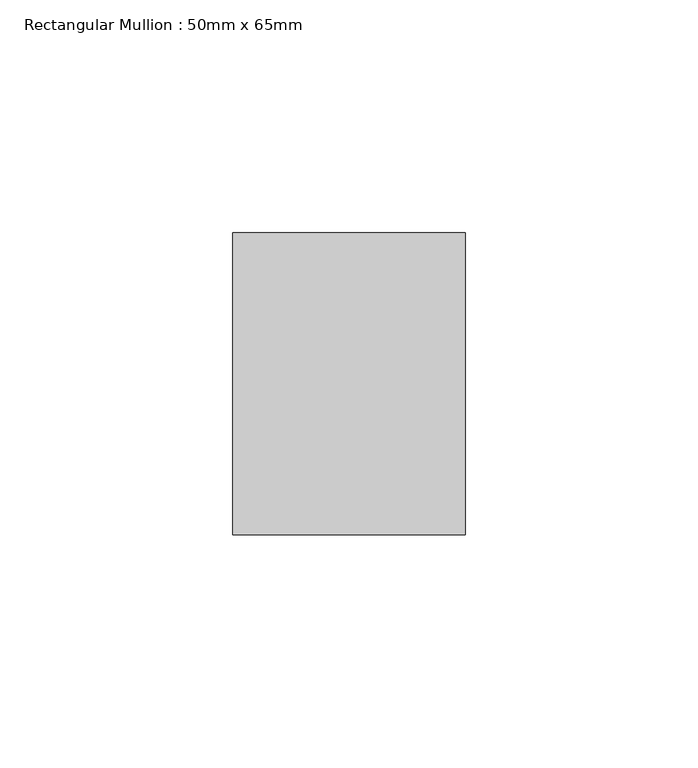
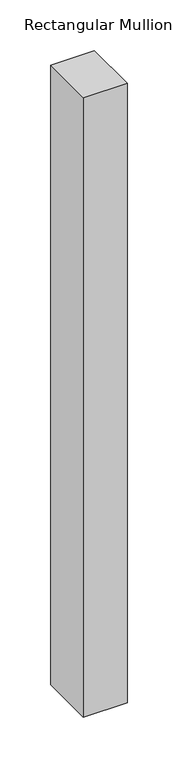
"""IFC4 building model written with IfcOpenShell, lengths in millimetres: member geometry, Rectangular Mullion : 50mm x 65mm."""

from ifc_helpers import new_model, si_unit, frame, origin, place, context, project, spatial, polyline, outline, extrude, source, transform, mapped, element, save


def rectangular_mullion_50mm_x_65mm_619f2048(model_context):
    return source(origin(), model_context, "Body", "SweptSolid", [
        extrude(outline(polyline([(25.0, 32.5), (25.0, -32.5), (-25.0, -32.5), (-25.0, 32.5), (25.0, 32.5)])), frame((0.0, 0.0, -748.358072), z_axis=(0.0, 0.0, 1.0), x_axis=(1.0, 0.0, 0.0)), (0.0, 0.0, 1.0), 748.358072),
    ])


if __name__ == "__main__":
    model = new_model("IFC4")
    model_context = context("Model", 3, world=origin())
    ifc_project = project(units=[si_unit("LENGTHUNIT", "METRE", prefix="MILLI")], contexts=[model_context])
    site = spatial("IfcSite", under=ifc_project)
    building = spatial("IfcBuilding", under=site)
    placement = place(None, origin())
    rectangular_mullion_50mm_x_65mm_shape = rectangular_mullion_50mm_x_65mm_619f2048(model_context)
    element("IfcMember", 1, ObjectType="Rectangular Mullion : 50mm x 65mm", at=placement, inside=building, context=model_context, shape_type="MappedRepresentation", body=[
        mapped(rectangular_mullion_50mm_x_65mm_shape, transform((0.0, 0.0, 0.0), x_axis=(1.0, 0.0, 0.0), y_axis=(0.0, 1.0, 0.0), z_axis=(0.0, 0.0, 1.0))),
    ])
    save(model, "model.ifc")
